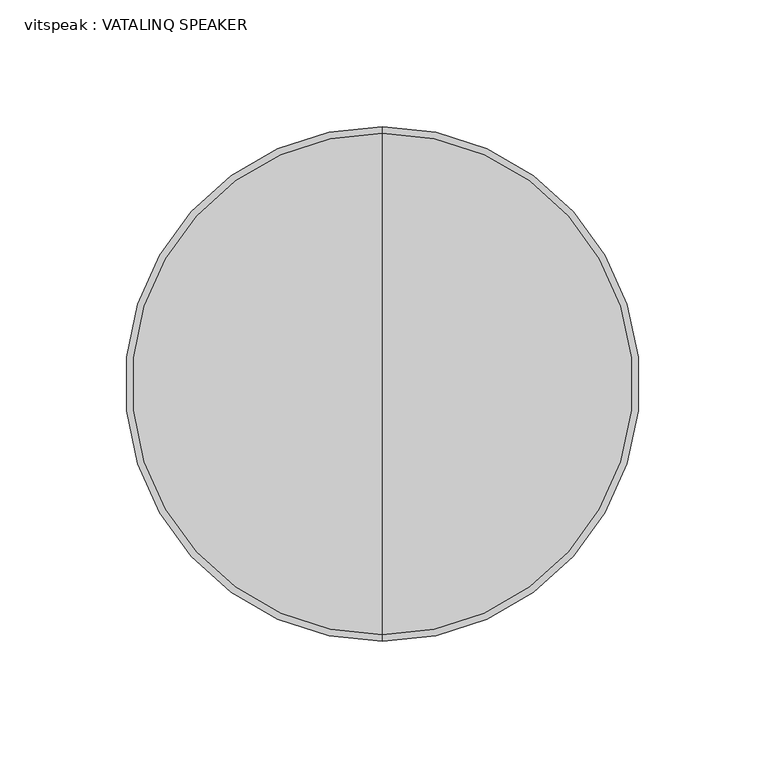
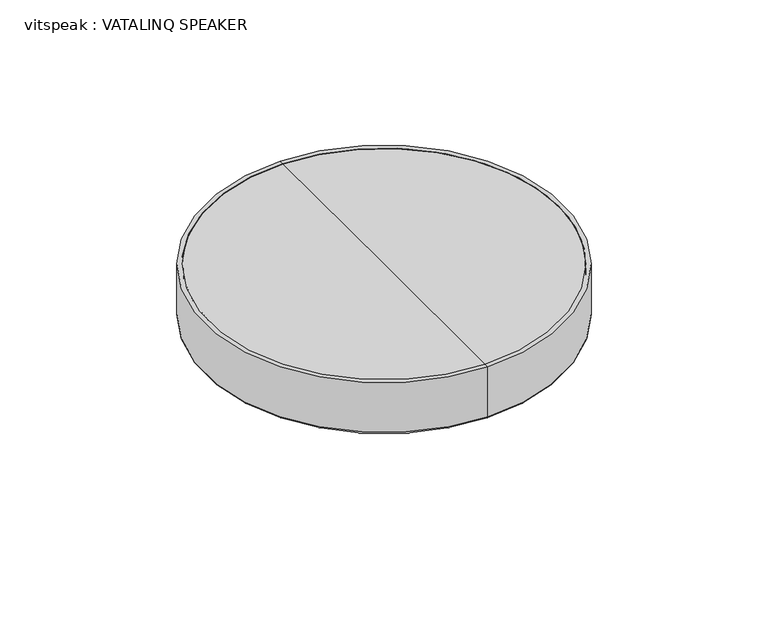
"""IFC4 building model written with IfcOpenShell, lengths in millimetres: proxy geometry, vitspeak : VATALINQ SPEAKER."""

from ifc_helpers import new_model, si_unit, point, frame, origin, place, context, project, spatial, polyline, circle_curve, ellipse_curve, trimmed, source, transform, mapped, element, save
from ifc_brep_helpers import plane_surface, cylinder_surface, revolved_surface, advanced_brep


def vitspeak_vatalinq_speaker_ac8e6deb(model_context):
    return source(origin(), model_context, "Body", "AdvancedBrep", [
        advanced_brep(
        [(186.6920393, -415.3687595, 3067.9650804), (186.6920393, -217.2487595, 3067.9650804), (186.6920393, -217.2487595, 3038.1698933), (186.6920393, -415.3687595, 3038.1698933), (186.6920393, -417.9087595, 3067.9650804), (186.6920393, -214.7087595, 3067.9650804), (186.6920393, -417.9087595, 3038.1698933), (186.6920393, -214.7087595, 3038.1698933)],
        [
            (0, 1, circle_curve(frame((186.6920393, -316.3087595, 3067.9650804), z_axis=(0.0, 0.0, 1.0), x_axis=(0.0, 1.0, 0.0)), 99.06)),
            (1, 2),
            (2, 3, circle_curve(frame((186.6920393, -316.3087595, 3038.1698933), z_axis=(0.0, 0.0, -1.0), x_axis=(0.0, 1.0, 0.0)), 99.06)),
            (3, 0),
            (1, 0, circle_curve(frame((186.6920393, -316.3087595, 3067.9650804), z_axis=(0.0, 0.0, 1.0), x_axis=(0.0, 1.0, 0.0)), 99.06)),
            (3, 2, circle_curve(frame((186.6920393, -316.3087595, 3038.1698933), z_axis=(0.0, 0.0, -1.0), x_axis=(0.0, 1.0, 0.0)), 99.06)),
            (4, 5, circle_curve(frame((186.6920393, -316.3087595, 3067.9650804), z_axis=(0.0, 0.0, 1.0), x_axis=(0.0, 1.0, 0.0)), 101.6)),
            (5, 1),
            (0, 4),
            (5, 4, circle_curve(frame((186.6920393, -316.3087595, 3067.9650804), z_axis=(0.0, 0.0, 1.0), x_axis=(0.0, 1.0, 0.0)), 101.6)),
            (6, 7, circle_curve(frame((186.6920393, -316.3087595, 3038.1698933), z_axis=(0.0, 0.0, 1.0), x_axis=(0.0, 1.0, 0.0)), 101.6)),
            (7, 5),
            (4, 6),
            (7, 6, circle_curve(frame((186.6920393, -316.3087595, 3038.1698933), z_axis=(0.0, 0.0, 1.0), x_axis=(0.0, 1.0, 0.0)), 101.6)),
            (2, 7, circle_curve(frame((186.6920393, -215.9787595, 3038.1698933), z_axis=(1.0, 0.0, 0.0), x_axis=(0.0, -1.0, 0.0)), 1.27)),
            (6, 3, circle_curve(frame((186.6920393, -416.6387595, 3038.1698933), z_axis=(1.0, 0.0, 0.0), x_axis=(0.0, 1.0, 0.0)), 1.27)),
        ],
        [
            revolved_surface(polyline([(186.6920393, -217.2487595, 3038.1698933), (186.6920393, -217.2487595, 3067.9650804)]), (186.6920393, -316.3087595, 3091.0846697), (0.0, 0.0, -1.0)),
            plane_surface(frame((186.6920393, -316.3087595, 3067.9650804), z_axis=(0.0, 0.0, 1.0), x_axis=(0.0, 1.0, 0.0))),
            cylinder_surface(frame((186.6920393, -316.3087595, 3091.0846697), z_axis=(0.0, 0.0, -1.0), x_axis=(0.0, 1.0, 0.0)), 101.6),
            revolved_surface(trimmed(ellipse_curve(frame((186.6920393, -215.9787595, 3038.1698933), z_axis=(-1.0, 0.0, 0.0), x_axis=(0.0, -1.0, 0.0)), 1.27, 1.27), [point((186.6920393, -214.7087595, 3038.1698933))], [point((186.6920393, -217.2487595, 3038.1698933))], True, "CARTESIAN"), (186.6920393, -316.3087595, 3091.0846697), (0.0, 0.0, -1.0)),
        ],
        [
            (0, [[1, 2, 3, 4]]),
            (0, [[5, -4, 6, -2]]),
            (1, [[7, 8, -1, 9]]),
            (1, [[10, -9, -5, -8]]),
            (2, [[11, 12, -7, 13]]),
            (2, [[14, -13, -10, -12]]),
            (3, [[-3, 15, -11, 16]]),
            (3, [[-6, -16, -14, -15]]),
        ],
    ),
        advanced_brep(
        [(186.6920393, -415.3687595, 3067.9650804), (186.6920393, -217.2487595, 3067.9650804), (186.6920393, -316.3087595, 3067.9650804), (186.6920393, -415.3687595, 3038.1698933), (186.6920393, -217.2487595, 3038.1698933), (186.6920393, -316.3087595, 3011.322384)],
        [
            (0, 1, circle_curve(frame((186.6920393, -316.3087595, 3067.9650804), z_axis=(0.0, 0.0, 1.0), x_axis=(0.0, 1.0, 0.0)), 99.06)),
            (1, 2),
            (2, 0),
            (1, 0, circle_curve(frame((186.6920393, -316.3087595, 3067.9650804), z_axis=(0.0, 0.0, 1.0), x_axis=(0.0, 1.0, 0.0)), 99.06)),
            (3, 4, circle_curve(frame((186.6920393, -316.3087595, 3038.1698933), z_axis=(0.0, 0.0, 1.0), x_axis=(0.0, 1.0, 0.0)), 99.06)),
            (4, 1),
            (0, 3),
            (4, 3, circle_curve(frame((186.6920393, -316.3087595, 3038.1698933), z_axis=(0.0, 0.0, 1.0), x_axis=(0.0, 1.0, 0.0)), 99.06)),
            (5, 4, circle_curve(frame((186.6920393, -314.543755, 3200.9859679), z_axis=(1.0, 0.0, 0.0), x_axis=(0.0, -1.0, 0.0)), 189.6717962)),
            (3, 5, circle_curve(frame((186.6920393, -318.0737641, 3200.9859679), z_axis=(1.0, 0.0, 0.0), x_axis=(0.0, 1.0, 0.0)), 189.6717962)),
        ],
        [
            plane_surface(frame((186.6920393, -316.3087595, 3067.9650804), z_axis=(0.0, 0.0, 1.0), x_axis=(0.0, 1.0, 0.0))),
            cylinder_surface(frame((186.6920393, -316.3087595, 3091.0846697), z_axis=(0.0, 0.0, -1.0), x_axis=(0.0, 1.0, 0.0)), 99.06),
            revolved_surface(trimmed(ellipse_curve(frame((186.6920393, -314.543755, 3200.9859679), z_axis=(-1.0, 0.0, 0.0), x_axis=(0.0, -1.0, 0.0)), 189.6717962, 189.6717962), [point((186.6920393, -217.2487595, 3038.1698933))], [point((186.6920393, -316.3087595, 3011.322384))], True, "CARTESIAN"), (186.6920393, -316.3087595, 3091.0846697), (0.0, 0.0, -1.0)),
        ],
        [
            (0, [[1, 2, 3]]),
            (0, [[4, -3, -2]]),
            (1, [[5, 6, -1, 7]]),
            (1, [[8, -7, -4, -6]]),
            (2, [[9, -5, 10]]),
            (2, [[-10, -8, -9]]),
        ],
    ),
    ])


if __name__ == "__main__":
    model = new_model("IFC4")
    model_context = context("Model", 3, world=origin())
    ifc_project = project(units=[si_unit("LENGTHUNIT", "METRE", prefix="MILLI")], contexts=[model_context])
    site = spatial("IfcSite", under=ifc_project)
    building = spatial("IfcBuilding", under=site)
    placement = place(None, origin())
    vitspeak_vatalinq_speaker_shape = vitspeak_vatalinq_speaker_ac8e6deb(model_context)
    element("IfcBuildingElementProxy", 1, Name="vitspeak : VATALINQ SPEAKER", ObjectType="vitspeak : VATALINQ SPEAKER", at=placement, inside=building, context=model_context, shape_type="MappedRepresentation", body=[
        mapped(vitspeak_vatalinq_speaker_shape, transform((0.0, 0.0, 0.0), x_axis=(1.0, 0.0, 0.0), y_axis=(0.0, 1.0, 0.0), z_axis=(0.0, 0.0, 1.0))),
    ])
    save(model, "model.ifc")
